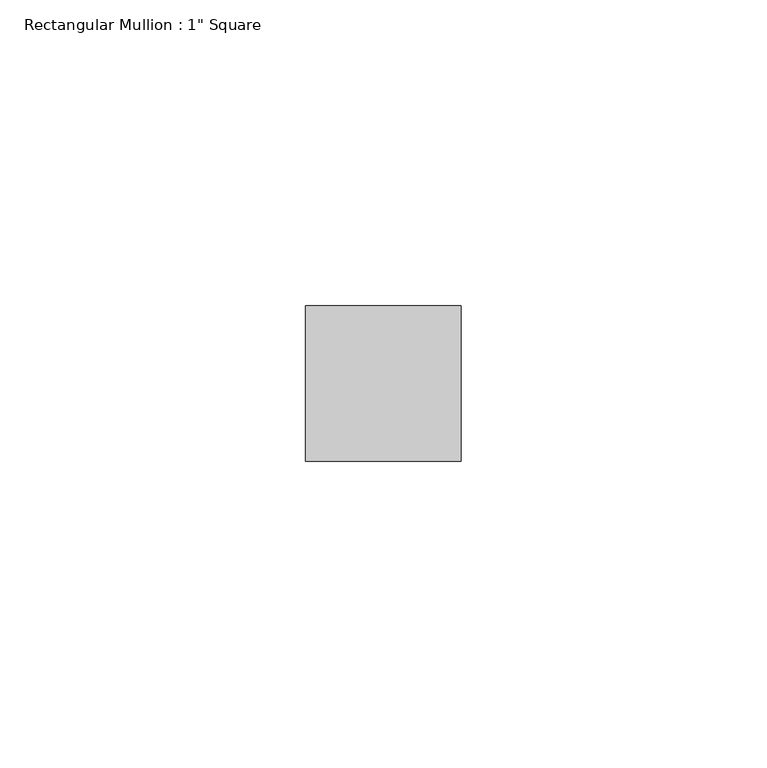
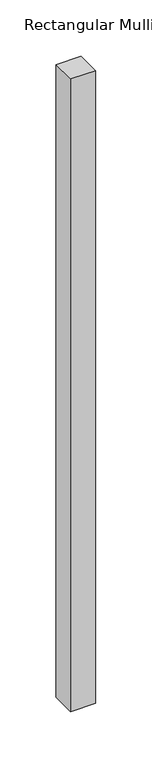
"""IFC4 building model written with IfcOpenShell, lengths in millimetres: member geometry."""

from ifc_helpers import new_model, si_unit, frame, origin, place, context, project, spatial, polyline, outline, extrude, source, transform, mapped, element, save


def member_24482ccd(model_context):
    return source(origin(), model_context, "Body", "SweptSolid", [
        extrude(outline(polyline([(0.0, 12.7), (0.0, -12.7), (-25.4, -12.7), (-25.4, 12.7), (0.0, 12.7)])), frame((0.0, 0.0, -683.8409168), z_axis=(0.0, 0.0, 1.0), x_axis=(1.0, 0.0, 0.0)), (0.0, 0.0, 1.0), 683.8409168),
    ])


if __name__ == "__main__":
    model = new_model("IFC4")
    model_context = context("Model", 3, world=origin())
    ifc_project = project(units=[si_unit("LENGTHUNIT", "METRE", prefix="MILLI")], contexts=[model_context])
    site = spatial("IfcSite", under=ifc_project)
    building = spatial("IfcBuilding", under=site)
    placement = place(None, origin())
    member_shape = member_24482ccd(model_context)
    element("IfcMember", 1, ObjectType="Rectangular Mullion : 1\" Square", at=placement, inside=building, context=model_context, shape_type="MappedRepresentation", body=[
        mapped(member_shape, transform((0.0, 0.0, 0.0), x_axis=(1.0, 0.0, 0.0), y_axis=(0.0, 1.0, 0.0), z_axis=(0.0, 0.0, 1.0))),
    ])
    save(model, "model.ifc")
